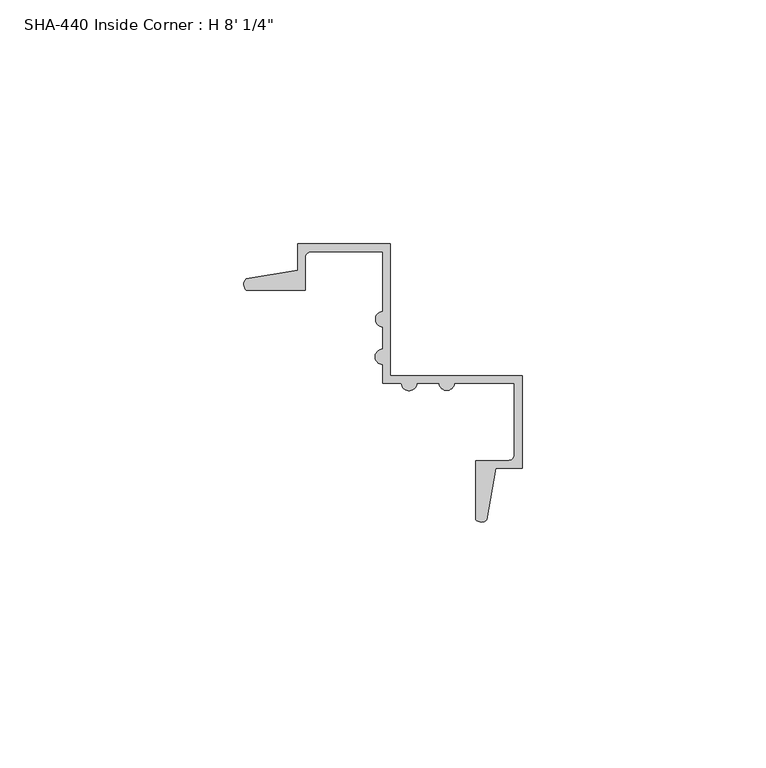
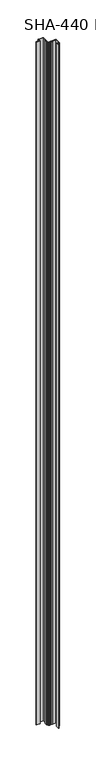
"""IFC4 building model written with IfcOpenShell, lengths in millimetres: proxy geometry."""

from ifc_helpers import new_model, si_unit, point, frame_2d, origin, origin_with_axes, place, context, project, spatial, polyline, circle_curve, trimmed, segment, composite_curve, outline, extrude, source, transform, mapped, element, save


def proxy_71ecda4d(model_context):
    return source(origin(), model_context, "Body", "SweptSolid", [
        extrude(outline(composite_curve([segment(trimmed(circle_curve(frame_2d((-31.3617705, 15.4349024)), 1.6162393), [point((-32.4525282, 14.2422259))], [point((-32.518612, 16.5635952))], False, "CARTESIAN"), True, "CONTINUOUS"), segment(polyline([(-32.518612, 16.5635952), (-21.9425251, 18.374569), (-21.9425251, 23.7672259), (-2.9179251, 23.7672259), (-2.9179251, -3.2329741), (24.0822749, -3.2329741), (24.0822749, -22.2575741), (18.689618, -22.2575741), (16.8786442, -32.833661)]), True, "CONTINUOUS"), segment(trimmed(circle_curve(frame_2d((15.7499514, -31.6768195)), 1.6162393), [point((16.8786442, -32.833661))], [point((14.5572749, -32.7675772))], False, "CARTESIAN"), True, "CONTINUOUS"), segment(polyline([(14.5572749, -32.7675772), (14.5572749, -20.6827741), (21.2374749, -20.6827741)]), True, "CONTINUOUS"), segment(trimmed(circle_curve(frame_2d((21.2374749, -19.4127741)), 1.27), [point((21.2374749, -20.6827741))], [point((22.5074749, -19.4127741))], True, "CARTESIAN"), True, "CONTINUOUS"), segment(polyline([(22.5074749, -19.4127741), (22.5074749, -4.8077741), (10.2138749, -4.8077741)]), True, "CONTINUOUS"), segment(trimmed(circle_curve(frame_2d((8.6390749, -4.7167886)), 1.5774262), [point((10.2138749, -4.8077741))], [point((7.0642749, -4.8077741))], False, "CARTESIAN"), True, "CONTINUOUS"), segment(polyline([(7.0642749, -4.8077741), (2.4795749, -4.8077741)]), True, "CONTINUOUS"), segment(trimmed(circle_curve(frame_2d((0.9047749, -4.8077741)), 1.5748), [point((2.4795749, -4.8077741))], [point((-0.6700251, -4.8077741))], False, "CARTESIAN"), True, "CONTINUOUS"), segment(polyline([(-0.6700251, -4.8077741), (-4.4927251, -4.8077741), (-4.4927251, -0.9850741)]), True, "CONTINUOUS"), segment(trimmed(circle_curve(frame_2d((-4.4927251, 0.5897259)), 1.5748), [point((-4.4927251, -0.9850741))], [point((-4.4927251, 2.1645259))], False, "CARTESIAN"), True, "CONTINUOUS"), segment(polyline([(-4.4927251, 2.1645259), (-4.4927251, 6.7492259)]), True, "CONTINUOUS"), segment(trimmed(circle_curve(frame_2d((-4.4017397, 8.3240259)), 1.5774262), [point((-4.4927251, 6.7492259))], [point((-4.4927251, 9.8988259))], False, "CARTESIAN"), True, "CONTINUOUS"), segment(polyline([(-4.4927251, 9.8988259), (-4.4927251, 22.1924259), (-19.0977251, 22.1924259)]), True, "CONTINUOUS"), segment(trimmed(circle_curve(frame_2d((-19.0977251, 20.9224259)), 1.27), [point((-19.0977251, 22.1924259))], [point((-20.3677251, 20.9224259))], True, "CARTESIAN"), True, "CONTINUOUS"), segment(polyline([(-20.3677251, 20.9224259), (-20.3677251, 14.2422259), (-32.4525282, 14.2422259)]), True, "CONTINUOUS")], self_intersect=False)), origin_with_axes(), (0.0, 0.0, 1.0), 2444.75),
    ])


if __name__ == "__main__":
    model = new_model("IFC4")
    model_context = context("Model", 3, world=origin())
    ifc_project = project(units=[si_unit("LENGTHUNIT", "METRE", prefix="MILLI")], contexts=[model_context])
    site = spatial("IfcSite", under=ifc_project)
    building = spatial("IfcBuilding", under=site)
    placement = place(None, origin())
    proxy_shape = proxy_71ecda4d(model_context)
    element("IfcBuildingElementProxy", 1, Name="SHA-440 Inside Corner : H 8' 1/4\"", ObjectType="SHA-440 Inside Corner : H 8' 1/4\"", at=placement, inside=building, context=model_context, shape_type="MappedRepresentation", body=[
        mapped(proxy_shape, transform((0.0, 0.0, 0.0), x_axis=(1.0, 0.0, 0.0), y_axis=(0.0, 1.0, 0.0), z_axis=(0.0, 0.0, 1.0))),
    ])
    save(model, "model.ifc")
